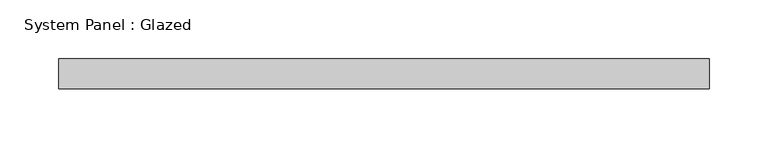
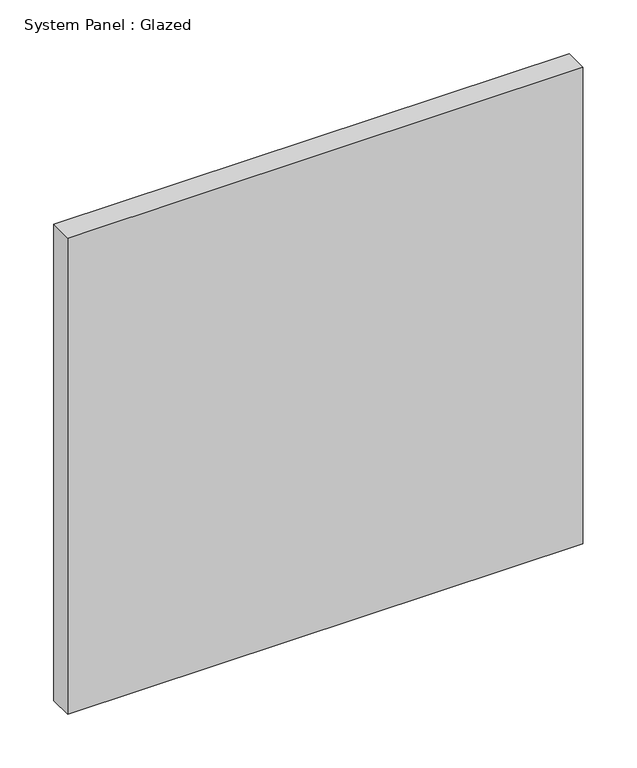
"""IFC4 building model written with IfcOpenShell, lengths in millimetres: plate geometry, System Panel : Glazed."""

from ifc_helpers import new_model, si_unit, origin, origin_with_axes, place, context, project, spatial, polyline, outline, extrude, source, transform, mapped, element, save


def system_panel_glazed_fe69bf31(model_context):
    return source(origin(), model_context, "Body", "SweptSolid", [
        extrude(outline(polyline([(276.225, -12.7), (-276.225, -12.7), (-276.225, 12.7), (276.225, 12.7), (276.225, -12.7)])), origin_with_axes(), (0.0, 0.0, 1.0), 539.75),
    ])


if __name__ == "__main__":
    model = new_model("IFC4")
    model_context = context("Model", 3, world=origin())
    ifc_project = project(units=[si_unit("LENGTHUNIT", "METRE", prefix="MILLI")], contexts=[model_context])
    site = spatial("IfcSite", under=ifc_project)
    building = spatial("IfcBuilding", under=site)
    placement = place(None, origin())
    system_panel_glazed_shape = system_panel_glazed_fe69bf31(model_context)
    element("IfcPlate", 1, ObjectType="System Panel : Glazed", at=placement, inside=building, context=model_context, shape_type="MappedRepresentation", body=[
        mapped(system_panel_glazed_shape, transform((0.0, 0.0, 0.0), x_axis=(1.0, 0.0, 0.0), y_axis=(0.0, 1.0, 0.0), z_axis=(0.0, 0.0, 1.0))),
    ])
    save(model, "model.ifc")
